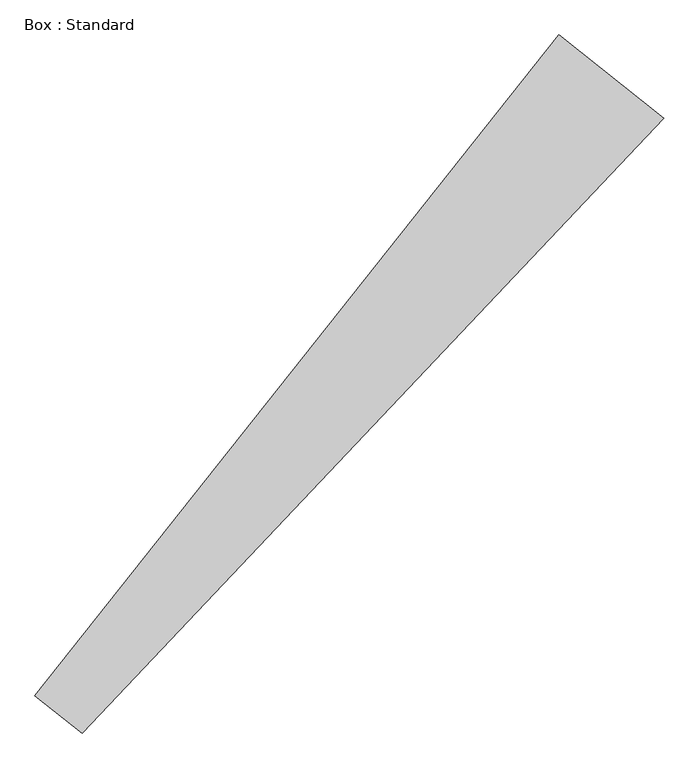
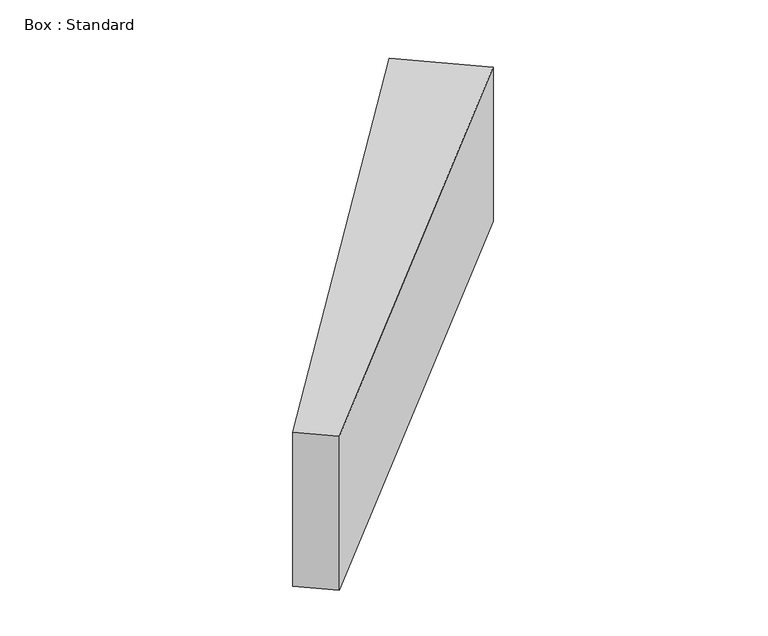
"""IFC4 building model written with IfcOpenShell, lengths in millimetres: plate geometry, Box : Standard."""

from ifc_helpers import new_model, si_unit, frame, origin, place, context, project, spatial, polyline, outline, extrude, source, transform, mapped, element, save


def box_standard_3605bb44(model_context):
    return source(origin(), model_context, "Body", "SweptSolid", [
        extrude(outline(polyline([(3053.3238327, 3053.3238327), (5705.2573817, 6396.412867), (6237.3028794, 5974.3632924), (3292.1159063, 2863.9000079), (3053.3238327, 3053.3238327)])), frame((0.0, 0.0, -1219.2), z_axis=(0.0, 0.0, 1.0), x_axis=(1.0, 0.0, 0.0)), (0.0, 0.0, 1.0), 1219.2),
    ])


if __name__ == "__main__":
    model = new_model("IFC4")
    model_context = context("Model", 3, world=origin())
    ifc_project = project(units=[si_unit("LENGTHUNIT", "METRE", prefix="MILLI")], contexts=[model_context])
    site = spatial("IfcSite", under=ifc_project)
    building = spatial("IfcBuilding", under=site)
    placement = place(None, origin())
    box_standard_shape = box_standard_3605bb44(model_context)
    element("IfcPlate", 1, ObjectType="Box : Standard", at=placement, inside=building, context=model_context, shape_type="MappedRepresentation", body=[
        mapped(box_standard_shape, transform((0.0, 0.0, 0.0), x_axis=(1.0, 0.0, 0.0), y_axis=(0.0, 1.0, 0.0), z_axis=(0.0, 0.0, 1.0))),
    ])
    save(model, "model.ifc")
